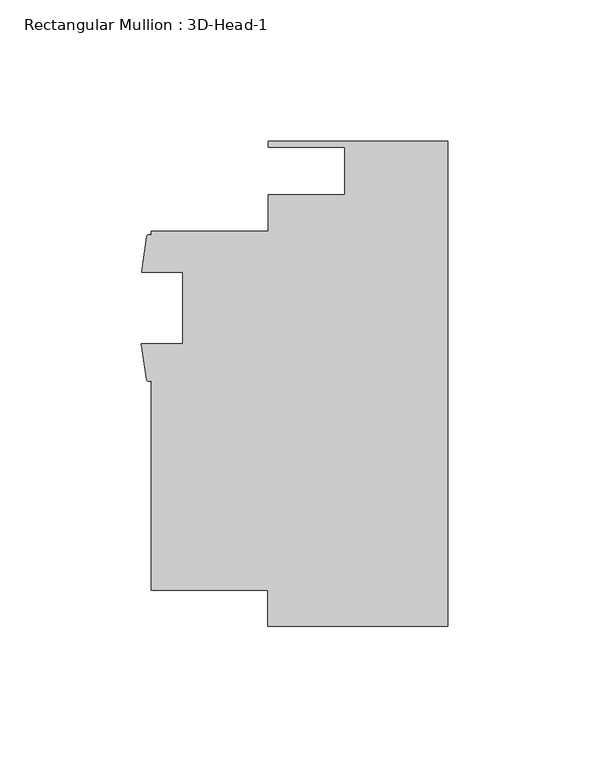
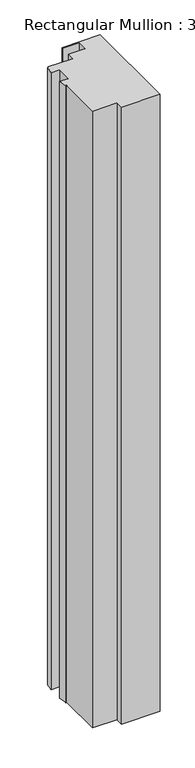
"""IFC4 building model written with IfcOpenShell, lengths in millimetres: member geometry, Rectangular Mullion : 3D-Head-1."""

from ifc_helpers import new_model, si_unit, point, frame, frame_2d, origin, place, context, project, spatial, polyline, circle_curve, trimmed, segment, composite_curve, outline, extrude, source, transform, mapped, element, save


def rectangular_mullion_3d_head_1_b54688ec(model_context):
    return source(origin(), model_context, "Body", "SweptSolid", [
        extrude(outline(composite_curve([segment(polyline([(0.0, -85.7249999), (-63.5322656, -85.7249999), (-63.5322656, -73.023969), (-104.7749997, -73.023969), (-104.7749997, 1.2994531)]), True, "CONTINUOUS"), segment(trimmed(circle_curve(frame_2d((-105.6067019, 1.8328959)), 0.9880737), [point((-104.7749997, 1.2994531))], [point((-106.4384041, 1.2994531))], False, "CARTESIAN"), True, "CONTINUOUS"), segment(polyline([(-106.4384041, 1.2994531), (-108.2945214, 14.0725059), (-93.6624997, 14.0725059), (-93.6624997, 39.4725059), (-108.1709997, 39.4725059), (-106.3608959, 52.2437935)]), True, "CONTINUOUS"), segment(trimmed(circle_curve(frame_2d((-105.5679478, 51.826203)), 0.8961856), [point((-106.3608959, 52.2437935))], [point((-104.7749997, 52.2437935))], False, "CARTESIAN"), True, "CONTINUOUS"), segment(polyline([(-104.7749997, 52.2437935), (-104.7749997, 53.976031), (-63.4999996, 53.976031), (-63.4999996, 66.7923427), (-36.3401991, 66.7923427), (-36.3401991, 83.6929999), (-63.4999996, 83.6929999), (-63.4999996, 85.7249999), (0.0, 85.7249999), (0.0, -85.7249999)]), True, "CONTINUOUS")], self_intersect=False)), frame((0.0, 0.0, -1077.9648533), z_axis=(0.0, 0.0, 1.0), x_axis=(1.0, 0.0, 0.0)), (0.0, 0.0, 1.0), 1077.9648533),
    ])


if __name__ == "__main__":
    model = new_model("IFC4")
    model_context = context("Model", 3, world=origin())
    ifc_project = project(units=[si_unit("LENGTHUNIT", "METRE", prefix="MILLI")], contexts=[model_context])
    site = spatial("IfcSite", under=ifc_project)
    building = spatial("IfcBuilding", under=site)
    placement = place(None, origin())
    rectangular_mullion_3d_head_1_shape = rectangular_mullion_3d_head_1_b54688ec(model_context)
    element("IfcMember", 1, ObjectType="Rectangular Mullion : 3D-Head-1", at=placement, inside=building, context=model_context, shape_type="MappedRepresentation", body=[
        mapped(rectangular_mullion_3d_head_1_shape, transform((0.0, 0.0, 0.0), x_axis=(1.0, 0.0, 0.0), y_axis=(0.0, 1.0, 0.0), z_axis=(0.0, 0.0, 1.0))),
    ])
    save(model, "model.ifc")
